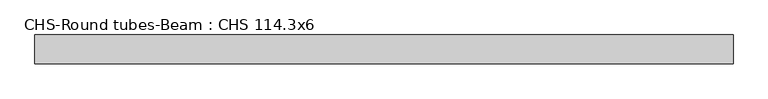
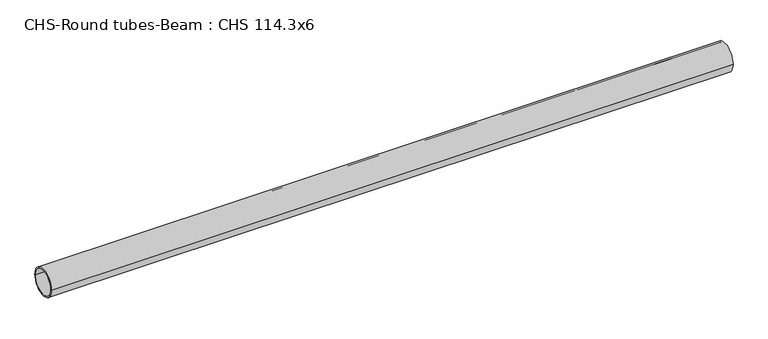
"""IFC4 building model written with IfcOpenShell, lengths in millimetres: beam geometry, CHS-Round tubes-Beam : CHS 114.3x6."""

from ifc_helpers import new_model, si_unit, point, frame, origin, origin_2d, place, context, project, spatial, circle_curve, trimmed, segment, composite_curve, outline, extrude, source, transform, mapped, element, save


def chs_round_tubes_beam_chs_114_3x6_c0be9023(model_context):
    return source(origin(), model_context, "Body", "SweptSolid", [
        extrude(outline(composite_curve([segment(trimmed(circle_curve(origin_2d(), 57.15), [point((57.15, 0.0))], [point((-57.15, 0.0))], False, "CARTESIAN"), True, "CONTINUOUS"), segment(trimmed(circle_curve(origin_2d(), 57.15), [point((-57.15, 0.0))], [point((57.15, 0.0))], False, "CARTESIAN"), True, "CONTINUOUS")], self_intersect=False), holes=[composite_curve([segment(trimmed(circle_curve(origin_2d(), 51.15), [point((51.15, 0.0))], [point((-51.15, 0.0))], True, "CARTESIAN"), True, "CONTINUOUS"), segment(trimmed(circle_curve(origin_2d(), 51.15), [point((-51.15, 0.0))], [point((51.15, 0.0))], True, "CARTESIAN"), True, "CONTINUOUS")], self_intersect=False)]), frame((-1374.1429724, 0.0, 0.0), z_axis=(1.0, 0.0, 0.0), x_axis=(0.0, 1.0, 0.0)), (0.0, 0.0, 1.0), 2759.1311134),
    ])


if __name__ == "__main__":
    model = new_model("IFC4")
    model_context = context("Model", 3, world=origin())
    ifc_project = project(units=[si_unit("LENGTHUNIT", "METRE", prefix="MILLI")], contexts=[model_context])
    site = spatial("IfcSite", under=ifc_project)
    building = spatial("IfcBuilding", under=site)
    placement = place(None, origin())
    chs_round_tubes_beam_chs_114_3x6_shape = chs_round_tubes_beam_chs_114_3x6_c0be9023(model_context)
    element("IfcBeam", 1, ObjectType="CHS-Round tubes-Beam : CHS 114.3x6", at=placement, inside=building, context=model_context, shape_type="MappedRepresentation", body=[
        mapped(chs_round_tubes_beam_chs_114_3x6_shape, transform((0.0, 0.0, 0.0), x_axis=(1.0, 0.0, 0.0), y_axis=(0.0, 1.0, 0.0), z_axis=(0.0, 0.0, 1.0))),
    ])
    save(model, "model.ifc")
